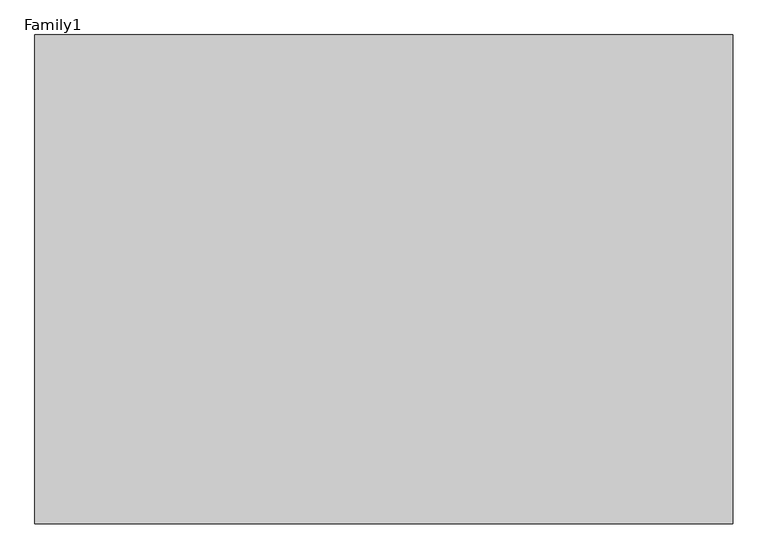
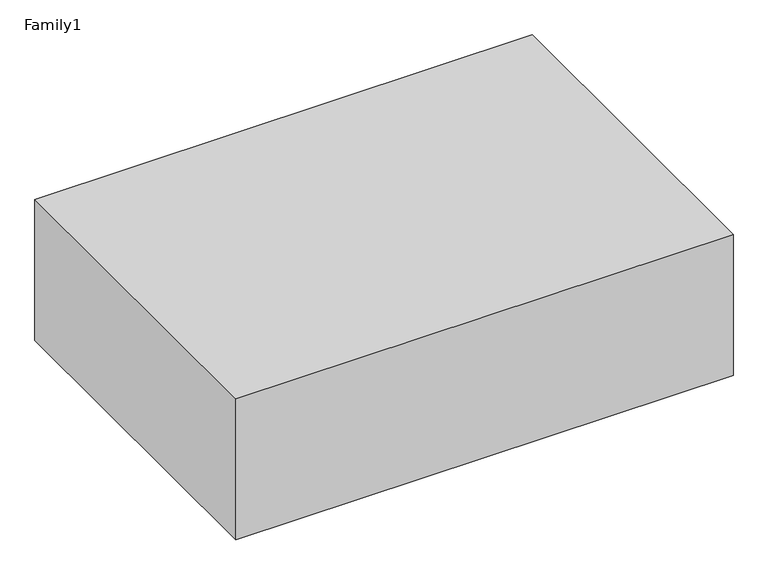
"""IFC4 building model written with IfcOpenShell, lengths in millimetres: proxy geometry, Family1."""

from ifc_helpers import new_model, si_unit, frame, origin, place, context, project, spatial, polyline, outline, extrude, source, transform, mapped, element, save


def family1_91be84c3(model_context):
    return source(origin(), model_context, "Body", "SweptSolid", [
        extrude(outline(polyline([(1000.0, 0.0), (0.0, 0.0), (0.0, 700.0), (1000.0, 700.0), (1000.0, 0.0)])), frame((0.0, 0.0, 30000.0), z_axis=(0.0, 0.0, 1.0), x_axis=(1.0, 0.0, 0.0)), (0.0, 0.0, 1.0), 300.0),
    ])


if __name__ == "__main__":
    model = new_model("IFC4")
    model_context = context("Model", 3, world=origin())
    ifc_project = project(units=[si_unit("LENGTHUNIT", "METRE", prefix="MILLI")], contexts=[model_context])
    site = spatial("IfcSite", under=ifc_project)
    building = spatial("IfcBuilding", under=site)
    placement = place(None, origin())
    family1_shape = family1_91be84c3(model_context)
    element("IfcBuildingElementProxy", 1, Name="Family1", ObjectType="Family1", at=placement, inside=building, context=model_context, shape_type="MappedRepresentation", body=[
        mapped(family1_shape, transform((0.0, 0.0, 0.0), x_axis=(1.0, 0.0, 0.0), y_axis=(0.0, 1.0, 0.0), z_axis=(0.0, 0.0, 1.0))),
    ])
    save(model, "model.ifc")
